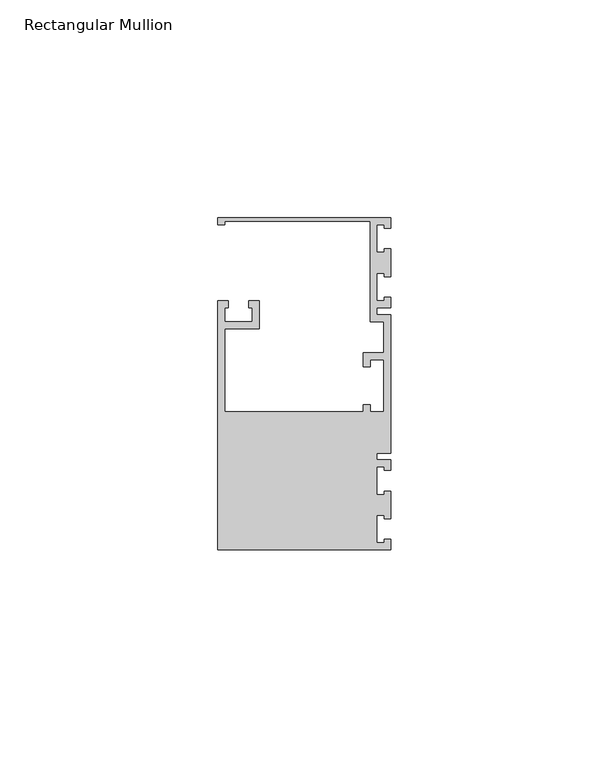
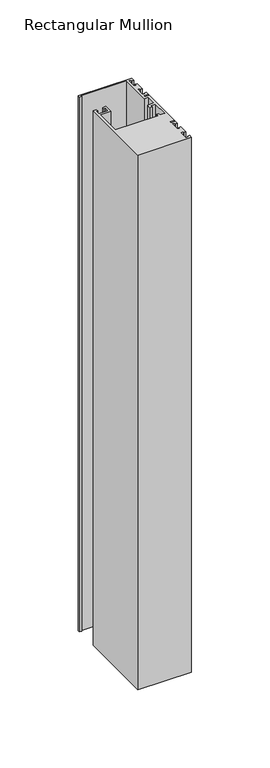
"""IFC4 building model written with IfcOpenShell, lengths in millimetres: member geometry, Rectangular Mullion."""

from ifc_helpers import new_model, si_unit, frame, origin, place, context, project, spatial, polyline, outline, extrude, source, transform, mapped, element, save


def rectangular_mullion_11beb58e(model_context):
    return source(origin(), model_context, "Body", "SweptSolid", [
        extrude(outline(polyline([(0.0, 38.1), (0.0, 35.71875), (-1.4999946, 35.71875), (-1.4999946, 36.5125), (-3.175, 36.5125), (-3.175, 30.1625), (-1.4999946, 30.1625), (-1.4999946, 30.95625), (0.0, 30.95625), (0.0, 24.60625), (-1.4999946, 24.60625), (-1.4999946, 25.4), (-3.175, 25.4), (-3.175, 19.05), (-1.4999946, 19.05), (-1.4999946, 19.84375), (0.0, 19.84375), (0.0, 17.4625), (-3.175, 17.4625), (-3.175, 15.875), (0.0, 15.875), (0.0, -15.875), (-3.175, -15.875), (-3.175, -17.4625), (0.0, -17.4625), (0.0, -19.84375), (-1.4999946, -19.84375), (-1.4999946, -19.05), (-3.175, -19.05), (-3.175, -25.4), (-1.4999946, -25.4), (-1.4999946, -24.60625), (0.0, -24.60625), (0.0, -30.95625), (-1.4999946, -30.95625), (-1.4999946, -30.1625), (-3.175, -30.1625), (-3.175, -36.5125), (-1.4999946, -36.5125), (-1.4999946, -35.71875), (0.0, -35.71875), (0.0, -38.1), (-39.6875, -38.1), (-39.6875, 19.05), (-37.30625, 19.05), (-37.30625, 17.4625), (-38.1, 17.4625), (-38.1, 14.2875), (-31.75, 14.2875), (-31.75, 17.4625), (-32.54375, 17.4625), (-32.54375, 19.05), (-30.1625, 19.05), (-30.1625, 12.7), (-38.1, 12.7), (-38.1, -6.35), (-6.35, -6.35), (-6.35, -4.7625), (-4.7625, -4.7625), (-4.7625, -6.35), (-1.5875, -6.35), (-1.5875, 5.55625), (-4.7625, 5.55625), (-4.7625, 3.96875), (-6.35, 3.96875), (-6.35, 7.14375), (-1.5875, 7.14375), (-1.5875, 14.2875), (-4.7625, 14.2875), (-4.7625, 37.30625), (-38.1, 37.30625), (-38.1, 36.5125), (-39.6875, 36.5125), (-39.6875, 38.1), (0.0, 38.1)])), frame((0.0, 0.0, -417.5125), z_axis=(0.0, 0.0, 1.0), x_axis=(1.0, 0.0, 0.0)), (0.0, 0.0, 1.0), 417.5125),
    ])


if __name__ == "__main__":
    model = new_model("IFC4")
    model_context = context("Model", 3, world=origin())
    ifc_project = project(units=[si_unit("LENGTHUNIT", "METRE", prefix="MILLI")], contexts=[model_context])
    site = spatial("IfcSite", under=ifc_project)
    building = spatial("IfcBuilding", under=site)
    placement = place(None, origin())
    rectangular_mullion_shape = rectangular_mullion_11beb58e(model_context)
    element("IfcMember", 1, ObjectType="Rectangular Mullion", at=placement, inside=building, context=model_context, shape_type="MappedRepresentation", body=[
        mapped(rectangular_mullion_shape, transform((0.0, 0.0, 0.0), x_axis=(1.0, 0.0, 0.0), y_axis=(0.0, 1.0, 0.0), z_axis=(0.0, 0.0, 1.0))),
    ])
    save(model, "model.ifc")
